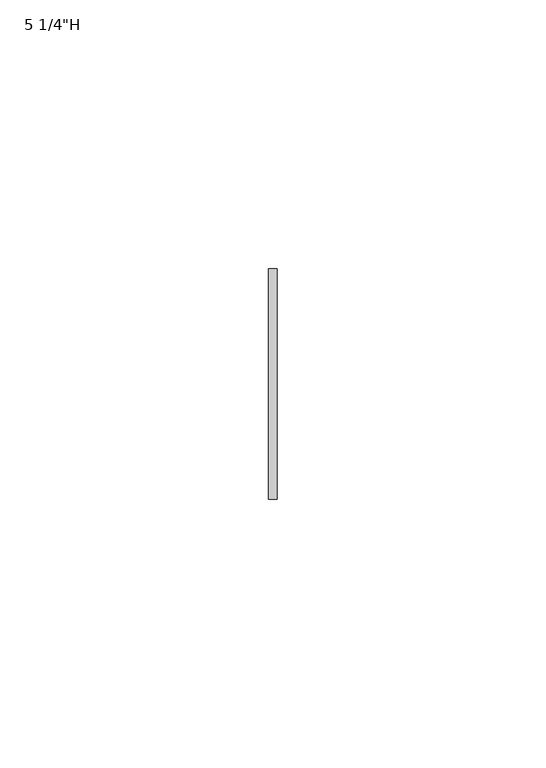
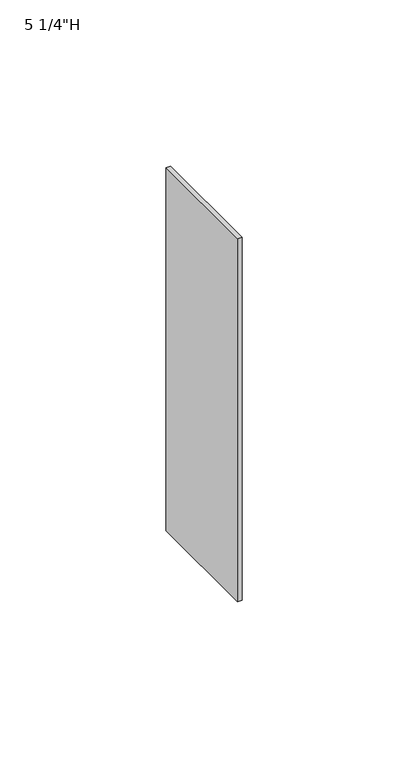
"""IFC4 building model written with IfcOpenShell, lengths in millimetres: furniture geometry."""

from ifc_helpers import new_model, si_unit, frame, origin, place, context, project, spatial, polyline, outline, extrude, source, transform, mapped, element, save


def furniture_42eba6f3(model_context):
    return source(origin(), model_context, "Body", "SweptSolid", [
        extrude(outline(polyline([(-0.79375, -111.125), (0.79375, -111.125), (0.79375, -153.9875), (-0.79375, -153.9875), (-0.79375, -111.125)])), frame((0.0, 0.0, 958.85), z_axis=(0.0, 0.0, 1.0), x_axis=(1.0, 0.0, 0.0)), (0.0, 0.0, 1.0), 133.35),
    ])


if __name__ == "__main__":
    model = new_model("IFC4")
    model_context = context("Model", 3, world=origin())
    ifc_project = project(units=[si_unit("LENGTHUNIT", "METRE", prefix="MILLI")], contexts=[model_context])
    site = spatial("IfcSite", under=ifc_project)
    building = spatial("IfcBuilding", under=site)
    placement = place(None, origin())
    furniture_shape = furniture_42eba6f3(model_context)
    element("IfcFurniture", 1, ObjectType="5 1/4\"H", at=placement, inside=building, context=model_context, shape_type="MappedRepresentation", body=[
        mapped(furniture_shape, transform((0.0, 0.0, 0.0), x_axis=(1.0, 0.0, 0.0), y_axis=(0.0, 1.0, 0.0), z_axis=(0.0, 0.0, 1.0))),
    ])
    save(model, "model.ifc")
